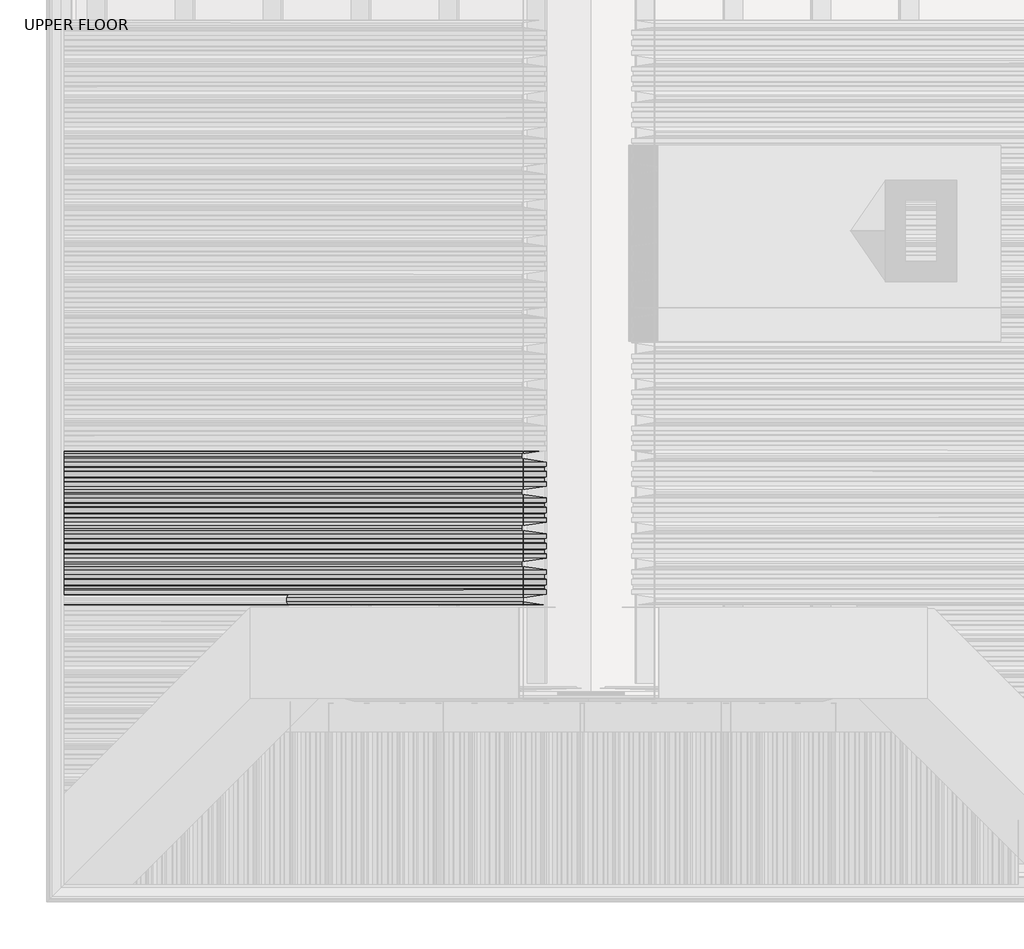
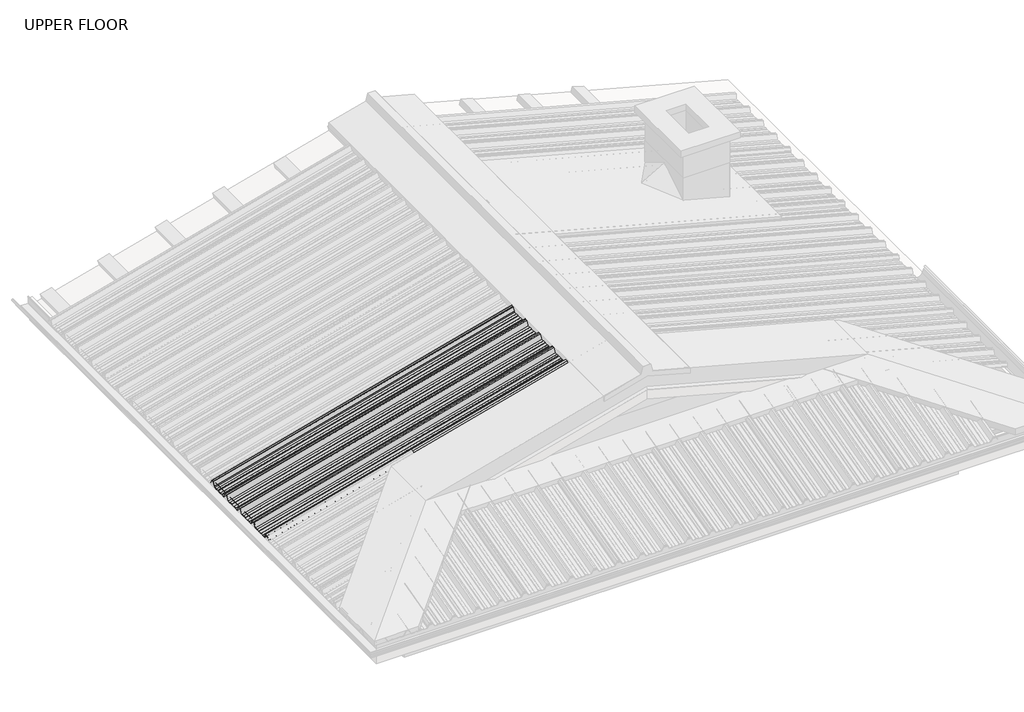
# One storey, part 13 of 21: 1 beam.
"""IFC4 building model written with IfcOpenShell, lengths in millimetres."""

from ifc_helpers import new_model, si_unit, frame, origin, place, context, project, spatial, circle_curve, ellipse_curve, element, save
from ifc_brep_helpers import plane_surface, cylinder_surface, advanced_brep

model = new_model("IFC4")

# Units and contexts
model_context = context("Model", 3, world=origin())
ifc_project = project(units=[si_unit("LENGTHUNIT", "METRE", prefix="MILLI")], contexts=[model_context])

# Site, building, storey
site = spatial("IfcSite", under=ifc_project)
building = spatial("IfcBuilding", under=site)
storey = spatial("IfcBuildingStorey", under=building, Name="UPPER FLOOR", Elevation=2700.0)

# Beam
placement = place(None, origin())
element("IfcBeam", 1, ObjectType="MC700", at=placement, inside=storey, context=model_context, shape_type="AdvancedBrep", body=[
    advanced_brep(
    [(1919.8672216, -2975.2370223, 3934.095145), (1919.3391722, -2970.8567046, 3936.0658523), (1919.3391722, -2954.4287133, 3936.0658523), (1919.8672216, -2951.2136691, 3934.095145), (1919.8672216, -2928.5160316, 3934.095145), (1911.8438312, -2910.4415216, 3964.0388456), (1911.8438312, -2900.0160332, 3964.0388456), (1911.8438312, -2889.5905447, 3964.0388456), (1919.8672216, -2871.5160347, 3934.095145), (1919.8672216, -2848.8183972, 3934.095145), (1919.3391722, -2845.603353, 3936.0658523), (1919.3391722, -2829.1753617, 3936.0658523), (1919.8672216, -2824.795044, 3934.095145), (1919.8672216, -2797.7370223, 3934.095145), (1919.3391722, -2793.3567046, 3936.0658523), (1919.3391722, -2776.9287133, 3936.0658523), (1919.8672216, -2773.7136691, 3934.095145), (1919.8672216, -2751.0160316, 3934.095145), (1911.8438312, -2732.9415216, 3964.0388456), (1911.8438312, -2722.5160332, 3964.0388456), (1911.8438312, -2712.0905447, 3964.0388456), (1919.8672216, -2694.0160347, 3934.095145), (1919.8672216, -2671.3183972, 3934.095145), (1919.3391722, -2668.103353, 3936.0658523), (1919.3391722, -2651.6753617, 3936.0658523), (1919.8672216, -2647.295044, 3934.095145), (1919.8672216, -2620.2370223, 3934.095145), (1919.3391722, -2615.8567046, 3936.0658523), (1919.3391722, -2599.4287133, 3936.0658523), (1919.8672216, -2596.2136691, 3934.095145), (1919.8672216, -2573.5160316, 3934.095145), (1911.8438312, -2555.4415216, 3964.0388456), (1911.8438312, -2545.0160332, 3964.0388456), (1911.8438312, -2534.5905447, 3964.0388456), (1917.3051292, -2522.2877301, 3943.6570042), (1917.1747653, -2521.4238442, 3944.143529), (1911.5850122, -2534.0160332, 3965.0047715), (1911.5850122, -2545.0160332, 3965.0047715), (1911.5850122, -2556.0160332, 3965.0047715), (1919.6084026, -2574.0905432, 3935.0610708), (1919.6084026, -2595.9231546, 3935.0610708), (1919.0803532, -2599.1381988, 3937.0317781), (1919.0803532, -2616.0781681, 3937.0317781), (1919.6084026, -2620.4584858, 3935.0610708), (1919.6084026, -2647.0735805, 3935.0610708), (1919.0803532, -2651.4538982, 3937.0317781), (1919.0803532, -2668.3938675, 3937.0317781), (1919.6084026, -2671.6089117, 3935.0610708), (1919.6084026, -2693.4415232, 3935.0610708), (1911.5850122, -2711.5160332, 3965.0047715), (1911.5850122, -2722.5160332, 3965.0047715), (1911.5850122, -2733.5160332, 3965.0047715), (1919.6084026, -2751.5905432, 3935.0610708), (1919.6084026, -2773.4231546, 3935.0610708), (1919.0803532, -2776.6381988, 3937.0317781), (1919.0803532, -2793.5781681, 3937.0317781), (1919.6084026, -2797.9584858, 3935.0610708), (1919.6084026, -2824.5735805, 3935.0610708), (1919.0803532, -2828.9538982, 3937.0317781), (1919.0803532, -2845.8938675, 3937.0317781), (1919.6084026, -2849.1089117, 3935.0610708), (1919.6084026, -2870.9415232, 3935.0610708), (1911.5850122, -2889.0160332, 3965.0047715), (1911.5850122, -2900.0160332, 3965.0047715), (1911.5850122, -2911.0160332, 3965.0047715), (1919.6084026, -2929.0905432, 3935.0610708), (1919.6084026, -2950.9231546, 3935.0610708), (1919.0803532, -2954.1381988, 3937.0317781), (1919.0803532, -2971.0781681, 3937.0317781), (1919.6084026, -2975.4584858, 3935.0610708), (1919.6084026, -3002.0735805, 3935.0610708), (1919.0803532, -3006.4538982, 3937.0317781), (1919.0803532, -3023.3938675, 3937.0317781), (1919.6084026, -3026.6089117, 3935.0610708), (1919.6084026, -3048.4415232, 3935.0610708), (1911.5850122, -3066.5160332, 3965.0047715), (1911.5850122, -3077.5160332, 3965.0047715), (1911.5850122, -3088.5160332, 3965.0047715), (1919.6084026, -3106.5905432, 3935.0610708), (1919.6084026, -3128.4231546, 3935.0610708), (1919.0803532, -3131.6381988, 3937.0317781), (1919.0803532, -3148.5781681, 3937.0317781), (1919.6084026, -3152.9584858, 3935.0610708), (1919.6084026, -3179.5735805, 3935.0610708), (1919.0803532, -3183.9538982, 3937.0317781), (1919.0803532, -3200.8938675, 3937.0317781), (1919.6084026, -3204.1089117, 3935.0610708), (1919.6084026, -3228.2566437, 3935.0610708), (1912.1026503, -3245.1650563, 3963.0729198), (1912.1026503, -3264.86701, 3963.0729198), (1918.515107, -3279.3125258, 3939.1413056), (1918.6454709, -3278.4486399, 3938.6547808), (1912.3614693, -3264.2924985, 3962.106994), (1912.3614693, -3245.7395679, 3962.106994), (1919.8672216, -3228.8311553, 3934.095145), (1919.8672216, -3203.8183972, 3934.095145), (1919.3391722, -3200.603353, 3936.0658523), (1919.3391722, -3184.1753617, 3936.0658523), (1919.8672216, -3179.795044, 3934.095145), (1919.8672216, -3152.7370223, 3934.095145), (1919.3391722, -3148.3567046, 3936.0658523), (1919.3391722, -3131.9287133, 3936.0658523), (1919.8672216, -3128.7136691, 3934.095145), (1919.8672216, -3106.0160316, 3934.095145), (1911.8438312, -3087.9415216, 3964.0388456), (1911.8438312, -3077.5160332, 3964.0388456), (1911.8438312, -3067.0905447, 3964.0388456), (1919.8672216, -3049.0160347, 3934.095145), (1919.8672216, -3026.3183972, 3934.095145), (1919.3391722, -3023.103353, 3936.0658523), (1919.3391722, -3006.6753617, 3936.0658523), (1919.8672216, -3002.295044, 3934.095145), (-592.3448479, -2829.1753617, 3263.0621475), (-592.3448479, -2824.795044, 3260.9499498), (-592.3448479, -2797.7370223, 3260.9499498), (-592.3448479, -2793.3567046, 3263.0621475), (-592.3448479, -2776.9287133, 3263.0621475), (-592.3448479, -2773.7136691, 3260.9499498), (-592.3448479, -2751.0160316, 3260.9499498), (-592.3448479, -2732.9415216, 3293.0435114), (-592.3448479, -2722.5160332, 3293.0435114), (-592.3448479, -2712.0905447, 3293.0435114), (-592.3448479, -2694.0160347, 3260.9499498), (-592.3448479, -2671.3183972, 3260.9499498), (-592.3448479, -2668.103353, 3263.0621475), (-592.3448479, -2651.6753617, 3263.0621475), (-592.3448479, -2647.295044, 3260.9499498), (-592.3448479, -2620.2370223, 3260.9499498), (-592.3448479, -2615.8567046, 3263.0621475), (-592.3448479, -2599.4287133, 3263.0621475), (-592.3448479, -2596.2136691, 3260.9499498), (-592.3448479, -2573.5160316, 3260.9499498), (-592.3448479, -2555.4415216, 3293.0435114), (-592.3448479, -2545.0160332, 3293.0435114), (-592.3448479, -2534.5905447, 3293.0435114), (-592.3448479, -2522.2877301, 3271.1983195), (-592.3448479, -2521.4238442, 3271.7197752), (-592.3448479, -2534.0160332, 3294.0787875), (-592.3448479, -2545.0160332, 3294.0787875), (-592.3448479, -2556.0160332, 3294.0787875), (-592.3448479, -2574.0905432, 3261.985226), (-592.3448479, -2595.9231546, 3261.985226), (-592.3448479, -2599.1381988, 3264.0974237), (-592.3448479, -2616.0781681, 3264.0974237), (-592.3448479, -2620.4584858, 3261.985226), (-592.3448479, -2647.0735805, 3261.985226), (-592.3448479, -2651.4538982, 3264.0974237), (-592.3448479, -2668.3938675, 3264.0974237), (-592.3448479, -2671.6089117, 3261.985226), (-592.3448479, -2693.4415232, 3261.985226), (-592.3448479, -2711.5160332, 3294.0787875), (-592.3448479, -2722.5160332, 3294.0787875), (-592.3448479, -2733.5160332, 3294.0787875), (-592.3448479, -2751.5905432, 3261.985226), (-592.3448479, -2773.4231546, 3261.985226), (-592.3448479, -2776.6381988, 3264.0974237), (-592.3448479, -2793.5781681, 3264.0974237), (-592.3448479, -2797.9584858, 3261.985226), (-592.3448479, -2824.5735805, 3261.985226), (-592.3448479, -2828.9538982, 3264.0974237), (-592.3448479, -2845.8938675, 3264.0974237), (-592.3448479, -2849.1089117, 3261.985226), (-592.3448479, -2870.9415232, 3261.985226), (-592.3448479, -2889.0160332, 3294.0787875), (-592.3448479, -2900.0160332, 3294.0787875), (-592.3448479, -2911.0160332, 3294.0787875), (-592.3448479, -2929.0905432, 3261.985226), (-592.3448479, -2950.9231546, 3261.985226), (-592.3448479, -2954.1381988, 3264.0974237), (-592.3448479, -2971.0781681, 3264.0974237), (-592.3448479, -2975.4584858, 3261.985226), (-592.3448479, -3002.0735805, 3261.985226), (-592.3448479, -3006.4538982, 3264.0974237), (-592.3448479, -3023.3938675, 3264.0974237), (-592.3448479, -3026.6089117, 3261.985226), (-592.3448479, -3048.4415232, 3261.985226), (-592.3448479, -3066.5160332, 3294.0787875), (-592.3448479, -3077.5160332, 3294.0787875), (-592.3448479, -3088.5160332, 3294.0787875), (-592.3448479, -3106.5905432, 3261.985226), (-592.3448479, -3128.4231546, 3261.985226), (-592.3448479, -3131.6381988, 3264.0974237), (-592.3448479, -3148.5781681, 3264.0974237), (-592.3448479, -3152.9584858, 3261.985226), (-592.3448479, -3179.5735805, 3261.985226), (-592.3448479, -3183.9538982, 3264.0974237), (-592.3448479, -3200.8938675, 3264.0974237), (-592.3448479, -3204.1089117, 3261.985226), (-592.3448479, -3228.2566437, 3261.985226), (-592.3448479, -3245.1650563, 3292.0082352), (-592.3448479, -3264.86701, 3292.0082352), (-592.3448479, -3279.3125258, 3266.3584084), (-592.3448479, -3278.4486399, 3265.8369527), (-592.3448479, -3264.2924985, 3290.972959), (-592.3448479, -3245.7395679, 3290.972959), (-592.3448479, -3228.8311553, 3260.9499498), (-592.3448479, -3203.8183972, 3260.9499498), (-592.3448479, -3200.603353, 3263.0621475), (-592.3448479, -3184.1753617, 3263.0621475), (-592.3448479, -3179.795044, 3260.9499498), (-592.3448479, -3152.7370223, 3260.9499498), (-592.3448479, -3148.3567046, 3263.0621475), (-592.3448479, -3131.9287133, 3263.0621475), (-592.3448479, -3128.7136691, 3260.9499498), (-592.3448479, -3106.0160316, 3260.9499498), (-592.3448479, -3087.9415216, 3293.0435114), (-592.3448479, -3077.5160332, 3293.0435114), (-592.3448479, -3067.0905447, 3293.0435114), (-592.3448479, -3049.0160347, 3260.9499498), (-592.3448479, -3026.3183972, 3260.9499498), (-592.3448479, -3023.103353, 3263.0621475), (-592.3448479, -3006.6753617, 3263.0621475), (-592.3448479, -3002.295044, 3260.9499498), (-592.3448479, -2975.2370223, 3260.9499498), (-592.3448479, -2970.8567046, 3263.0621475), (-592.3448479, -2954.4287133, 3263.0621475), (-592.3448479, -2951.2136691, 3260.9499498), (-592.3448479, -2928.5160316, 3260.9499498), (-592.3448479, -2910.4415216, 3293.0435114), (-592.3448479, -2900.0160332, 3293.0435114), (-592.3448479, -2889.5905447, 3293.0435114), (-592.3448479, -2871.5160347, 3260.9499498), (-592.3448479, -2848.8183972, 3260.9499498), (-592.3448479, -2845.603353, 3263.0621475)],
    [
        (0, 1),
        (1, 2),
        (2, 3),
        (3, 4),
        (4, 5),
        (5, 6),
        (6, 7),
        (7, 8),
        (8, 9),
        (9, 10),
        (10, 11),
        (11, 12),
        (12, 13),
        (13, 14),
        (14, 15),
        (15, 16),
        (16, 17),
        (17, 18),
        (18, 19),
        (19, 20),
        (20, 21),
        (21, 22),
        (22, 23),
        (23, 24),
        (24, 25),
        (25, 26),
        (26, 27),
        (27, 28),
        (28, 29),
        (29, 30),
        (30, 31),
        (31, 32),
        (32, 33),
        (33, 34),
        (34, 35, circle_curve(frame((1917.2399472, -2521.8557872, 3943.9002666), z_axis=(0.9659258262890683, 0.0, 0.25881904510252074), x_axis=(0.0, 1.0, 0.0)), 0.5)),
        (35, 36),
        (36, 37),
        (37, 38),
        (38, 39),
        (39, 40),
        (40, 41),
        (41, 42),
        (42, 43),
        (43, 44),
        (44, 45),
        (45, 46),
        (46, 47),
        (47, 48),
        (48, 49),
        (49, 50),
        (50, 51),
        (51, 52),
        (52, 53),
        (53, 54),
        (54, 55),
        (55, 56),
        (56, 57),
        (57, 58),
        (58, 59),
        (59, 60),
        (60, 61),
        (61, 62),
        (62, 63),
        (63, 64),
        (64, 65),
        (65, 66),
        (66, 67),
        (67, 68),
        (68, 69),
        (69, 70),
        (70, 71),
        (71, 72),
        (72, 73),
        (73, 74),
        (74, 75),
        (75, 76),
        (76, 77),
        (77, 78),
        (78, 79),
        (79, 80),
        (80, 81),
        (81, 82),
        (82, 83),
        (83, 84),
        (84, 85),
        (85, 86),
        (86, 87),
        (87, 88),
        (88, 89),
        (89, 90),
        (90, 91, circle_curve(frame((1918.5802889, -3278.8805829, 3938.8980432), z_axis=(0.9659258262890683, 0.0, 0.25881904510252074), x_axis=(0.0, 1.0, 0.0)), 0.5)),
        (91, 92),
        (92, 93),
        (93, 94),
        (94, 95),
        (95, 96),
        (96, 97),
        (97, 98),
        (98, 99),
        (99, 100),
        (100, 101),
        (101, 102),
        (102, 103),
        (103, 104),
        (104, 105),
        (105, 106),
        (106, 107),
        (107, 108),
        (108, 109),
        (109, 110),
        (110, 111),
        (111, 0),
        (11, 112),
        (112, 113),
        (113, 12),
        (113, 114),
        (114, 13),
        (114, 115),
        (115, 14),
        (115, 116),
        (116, 15),
        (116, 117),
        (117, 16),
        (117, 118),
        (118, 17),
        (118, 119),
        (119, 18),
        (119, 120),
        (120, 19),
        (120, 121),
        (121, 20),
        (121, 122),
        (122, 21),
        (122, 123),
        (123, 22),
        (123, 124),
        (124, 23),
        (124, 125),
        (125, 24),
        (125, 126),
        (126, 25),
        (126, 127),
        (127, 26),
        (127, 128),
        (128, 27),
        (128, 129),
        (129, 28),
        (129, 130),
        (130, 29),
        (130, 131),
        (131, 30),
        (131, 132),
        (132, 31),
        (132, 133),
        (133, 32),
        (133, 134),
        (134, 33),
        (134, 135),
        (135, 34),
        (135, 136, ellipse_curve(frame((-592.3448479, -2521.8557872, 3271.4590474), z_axis=(1.0, 0.0, 0.0), x_axis=(0.0, 0.0, 1.0)), 0.5176381, 0.5)),
        (136, 35),
        (136, 137),
        (137, 36),
        (137, 138),
        (138, 37),
        (138, 139),
        (139, 38),
        (139, 140),
        (140, 39),
        (140, 141),
        (141, 40),
        (141, 142),
        (142, 41),
        (142, 143),
        (143, 42),
        (143, 144),
        (144, 43),
        (144, 145),
        (145, 44),
        (145, 146),
        (146, 45),
        (146, 147),
        (147, 46),
        (147, 148),
        (148, 47),
        (148, 149),
        (149, 48),
        (149, 150),
        (150, 49),
        (150, 151),
        (151, 50),
        (151, 152),
        (152, 51),
        (152, 153),
        (153, 52),
        (153, 154),
        (154, 53),
        (154, 155),
        (155, 54),
        (155, 156),
        (156, 55),
        (156, 157),
        (157, 56),
        (157, 158),
        (158, 57),
        (158, 159),
        (159, 58),
        (159, 160),
        (160, 59),
        (160, 161),
        (161, 60),
        (161, 162),
        (162, 61),
        (162, 163),
        (163, 62),
        (163, 164),
        (164, 63),
        (164, 165),
        (165, 64),
        (165, 166),
        (166, 65),
        (166, 167),
        (167, 66),
        (167, 168),
        (168, 67),
        (168, 169),
        (169, 68),
        (169, 170),
        (170, 69),
        (170, 171),
        (171, 70),
        (171, 172),
        (172, 71),
        (172, 173),
        (173, 72),
        (173, 174),
        (174, 73),
        (174, 175),
        (175, 74),
        (175, 176),
        (176, 75),
        (176, 177),
        (177, 76),
        (177, 178),
        (178, 77),
        (178, 179),
        (179, 78),
        (179, 180),
        (180, 79),
        (180, 181),
        (181, 80),
        (181, 182),
        (182, 81),
        (182, 183),
        (183, 82),
        (183, 184),
        (184, 83),
        (184, 185),
        (185, 84),
        (185, 186),
        (186, 85),
        (186, 187),
        (187, 86),
        (187, 188),
        (188, 87),
        (188, 189),
        (189, 88),
        (189, 190),
        (190, 89),
        (190, 191),
        (191, 90),
        (191, 192, ellipse_curve(frame((-592.3448479, -3278.8805829, 3266.0976806), z_axis=(1.0, 0.0, 0.0), x_axis=(0.0, 0.0, 1.0)), 0.5176381, 0.5)),
        (192, 91),
        (192, 193),
        (193, 92),
        (193, 194),
        (194, 93),
        (194, 195),
        (195, 94),
        (195, 196),
        (196, 95),
        (196, 197),
        (197, 96),
        (197, 198),
        (198, 97),
        (198, 199),
        (199, 98),
        (199, 200),
        (200, 99),
        (200, 201),
        (201, 100),
        (201, 202),
        (202, 101),
        (202, 203),
        (203, 102),
        (203, 204),
        (204, 103),
        (204, 205),
        (205, 104),
        (205, 206),
        (206, 105),
        (206, 207),
        (207, 106),
        (207, 208),
        (208, 107),
        (208, 209),
        (209, 108),
        (209, 210),
        (210, 109),
        (210, 211),
        (211, 110),
        (211, 212),
        (212, 111),
        (212, 213),
        (213, 0),
        (213, 214),
        (214, 1),
        (214, 215),
        (215, 2),
        (215, 216),
        (216, 3),
        (216, 217),
        (217, 4),
        (217, 218),
        (218, 5),
        (218, 219),
        (219, 6),
        (219, 220),
        (220, 7),
        (220, 221),
        (221, 8),
        (221, 222),
        (222, 9),
        (222, 223),
        (223, 10),
        (223, 112),
    ],
    [
        plane_surface(frame((1919.8672216, -2975.2370223, 3934.095145), z_axis=(0.9659258262890683, 0.0, 0.2588190451025208), x_axis=(-0.10927828227881038, 0.9064939238095155, 0.4078321016283796))),
        plane_surface(frame((1919.3391722, -2829.1753617, 3936.0658523), z_axis=(0.23461789175161551, -0.422218860422444, -0.8756058923817268), x_axis=(-0.9659258262890683, 0.0, -0.25881904510252074))),
        plane_surface(frame((1919.8672216, -2824.795044, 3934.095145), z_axis=(0.25881904510252074, 0.0, -0.9659258262890683), x_axis=(-0.9659258262890683, 0.0, -0.25881904510252074))),
        plane_surface(frame((1919.8672216, -2797.7370223, 3934.095145), z_axis=(0.23461789175161696, 0.4222188604224425, -0.875605892381727), x_axis=(-0.9659258262890683, 0.0, -0.25881904510252074))),
        plane_surface(frame((1919.3391722, -2793.3567046, 3936.0658523), z_axis=(0.25881904510252074, 0.0, -0.9659258262890683), x_axis=(-0.9659258262890683, 0.0, -0.25881904510252074))),
        plane_surface(frame((1919.3391722, -2776.9287133, 3936.0658523), z_axis=(0.21853130769187565, -0.53580755412896, -0.8155699433505507), x_axis=(-0.9659258262890683, 0.0, -0.25881904510252074))),
        plane_surface(frame((1919.8672216, -2773.7136691, 3934.095145), z_axis=(0.25881904510252074, 0.0, -0.9659258262890683), x_axis=(-0.9659258262890683, 0.0, -0.25881904510252074))),
        plane_surface(frame((1919.8672216, -2751.0160316, 3934.095145), z_axis=(0.1303639327417883, 0.8638858976217885, -0.48652482046684076), x_axis=(-0.9659258262890683, 0.0, -0.25881904510252074))),
        plane_surface(frame((1911.8438312, -2732.9415216, 3964.0388456), z_axis=(0.25881904510252074, 0.0, -0.9659258262890683), x_axis=(-0.9659258262890683, 0.0, -0.25881904510252074))),
        plane_surface(frame((1911.8438312, -2722.5160332, 3964.0388456), z_axis=(0.25881904510252074, 0.0, -0.9659258262890683), x_axis=(-0.9659258262890683, 0.0, -0.25881904510252074))),
        plane_surface(frame((1911.8438312, -2712.0905447, 3964.0388456), z_axis=(0.1303639327417828, -0.8638858976217949, -0.4865248204668306), x_axis=(-0.9659258262890683, 0.0, -0.25881904510252074))),
        plane_surface(frame((1919.8672216, -2694.0160347, 3934.095145), z_axis=(0.25881904510252074, 0.0, -0.9659258262890683), x_axis=(-0.9659258262890683, 0.0, -0.25881904510252074))),
        plane_surface(frame((1919.8672216, -2671.3183972, 3934.095145), z_axis=(0.21853130769188064, 0.5358075541289394, -0.8155699433505629), x_axis=(-0.9659258262890683, 0.0, -0.25881904510252074))),
        plane_surface(frame((1919.3391722, -2668.103353, 3936.0658523), z_axis=(0.25881904510252074, 0.0, -0.9659258262890683), x_axis=(-0.9659258262890683, 0.0, -0.25881904510252074))),
        plane_surface(frame((1919.3391722, -2651.6753617, 3936.0658523), z_axis=(0.23461789175161585, -0.4222188604224411, -0.8756058923817281), x_axis=(-0.9659258262890683, 0.0, -0.25881904510252074))),
        plane_surface(frame((1919.8672216, -2647.295044, 3934.095145), z_axis=(0.25881904510252074, 0.0, -0.9659258262890683), x_axis=(-0.9659258262890683, 0.0, -0.25881904510252074))),
        plane_surface(frame((1919.8672216, -2620.2370223, 3934.095145), z_axis=(0.23461789175161699, 0.42221886042244255, -0.875605892381727), x_axis=(-0.9659258262890683, 0.0, -0.25881904510252074))),
        plane_surface(frame((1919.3391722, -2615.8567046, 3936.0658523), z_axis=(0.25881904510252074, 0.0, -0.9659258262890683), x_axis=(-0.9659258262890683, 0.0, -0.25881904510252074))),
        plane_surface(frame((1919.3391722, -2599.4287133, 3936.0658523), z_axis=(0.21853130769187562, -0.53580755412896, -0.8155699433505507), x_axis=(-0.9659258262890683, 0.0, -0.25881904510252074))),
        plane_surface(frame((1919.8672216, -2596.2136691, 3934.095145), z_axis=(0.25881904510252074, 0.0, -0.9659258262890683), x_axis=(-0.9659258262890683, 0.0, -0.25881904510252074))),
        plane_surface(frame((1919.8672216, -2573.5160316, 3934.095145), z_axis=(0.13036393274178834, 0.8638858976217885, -0.48652482046684076), x_axis=(-0.9659258262890683, 0.0, -0.25881904510252074))),
        plane_surface(frame((1911.8438312, -2555.4415216, 3964.0388456), z_axis=(0.25881904510252074, 0.0, -0.9659258262890683), x_axis=(-0.9659258262890683, 0.0, -0.25881904510252074))),
        plane_surface(frame((1911.8438312, -2545.0160332, 3964.0388456), z_axis=(0.25881904510252074, 0.0, -0.9659258262890683), x_axis=(-0.9659258262890683, 0.0, -0.25881904510252074))),
        plane_surface(frame((1911.8438312, -2534.5905447, 3964.0388456), z_axis=(0.13036393274178518, -0.8638858976217895, -0.48652482046683954), x_axis=(-0.9659258262890683, 0.0, -0.25881904510252074))),
        cylinder_surface(frame((-604.0221534, -2521.8557872, 3268.3301228), z_axis=(0.9659258262890683, 0.0, 0.25881904510252074), x_axis=(0.0, 1.0, 0.0)), 0.5),
        plane_surface(frame((1917.1747653, -2521.4238442, 3944.143529), z_axis=(-0.13036393274177627, 0.8638858976218096, 0.4865248204668063), x_axis=(-0.9659258262890683, 0.0, -0.25881904510252074))),
        plane_surface(frame((1911.5850122, -2534.0160332, 3965.0047715), z_axis=(-0.25881904510252074, 0.0, 0.9659258262890683), x_axis=(-0.9659258262890683, 0.0, -0.25881904510252074))),
        plane_surface(frame((1911.5850122, -2545.0160332, 3965.0047715), z_axis=(-0.25881904510252074, 0.0, 0.9659258262890683), x_axis=(-0.9659258262890683, 0.0, -0.25881904510252074))),
        plane_surface(frame((1911.5850122, -2556.0160332, 3965.0047715), z_axis=(-0.13036393274178834, -0.8638858976217885, 0.48652482046684076), x_axis=(-0.9659258262890683, 0.0, -0.25881904510252074))),
        plane_surface(frame((1919.6084026, -2574.0905432, 3935.0610708), z_axis=(-0.25881904510252074, 0.0, 0.9659258262890683), x_axis=(-0.9659258262890683, 0.0, -0.25881904510252074))),
        plane_surface(frame((1919.6084026, -2595.9231546, 3935.0610708), z_axis=(-0.21853130769187826, 0.535807554128944, 0.8155699433505605), x_axis=(-0.9659258262890683, 0.0, -0.25881904510252074))),
        plane_surface(frame((1919.0803532, -2599.1381988, 3937.0317781), z_axis=(-0.25881904510252074, 0.0, 0.9659258262890683), x_axis=(-0.9659258262890683, 0.0, -0.25881904510252074))),
        plane_surface(frame((1919.0803532, -2616.0781681, 3937.0317781), z_axis=(-0.23461789175161665, -0.4222188604224454, 0.8756058923817257), x_axis=(-0.9659258262890683, 0.0, -0.25881904510252074))),
        plane_surface(frame((1919.6084026, -2620.4584858, 3935.0610708), z_axis=(-0.25881904510252074, 0.0, 0.9659258262890683), x_axis=(-0.9659258262890683, 0.0, -0.25881904510252074))),
        plane_surface(frame((1919.6084026, -2647.0735805, 3935.0610708), z_axis=(-0.23461789175161615, 0.42221886042243867, 0.8756058923817293), x_axis=(-0.9659258262890683, 0.0, -0.25881904510252074))),
        plane_surface(frame((1919.0803532, -2651.4538982, 3937.0317781), z_axis=(-0.25881904510252074, 0.0, 0.9659258262890683), x_axis=(-0.9659258262890683, 0.0, -0.25881904510252074))),
        plane_surface(frame((1919.0803532, -2668.3938675, 3937.0317781), z_axis=(-0.2185313076918775, -0.5358075541289586, 0.815569943350551), x_axis=(-0.9659258262890683, 0.0, -0.25881904510252074))),
        plane_surface(frame((1919.6084026, -2671.6089117, 3935.0610708), z_axis=(-0.25881904510252074, 0.0, 0.9659258262890683), x_axis=(-0.9659258262890683, 0.0, -0.25881904510252074))),
        plane_surface(frame((1919.6084026, -2693.4415232, 3935.0610708), z_axis=(-0.13036393274178276, 0.863885897621795, 0.4865248204668305), x_axis=(-0.9659258262890683, 0.0, -0.25881904510252074))),
        plane_surface(frame((1911.5850122, -2711.5160332, 3965.0047715), z_axis=(-0.25881904510252074, 0.0, 0.9659258262890683), x_axis=(-0.9659258262890683, 0.0, -0.25881904510252074))),
        plane_surface(frame((1911.5850122, -2722.5160332, 3965.0047715), z_axis=(-0.25881904510252074, 0.0, 0.9659258262890683), x_axis=(-0.9659258262890683, 0.0, -0.25881904510252074))),
        plane_surface(frame((1911.5850122, -2733.5160332, 3965.0047715), z_axis=(-0.13036393274178762, -0.86388589762179, 0.486524820466838), x_axis=(-0.9659258262890683, 0.0, -0.25881904510252074))),
        plane_surface(frame((1919.6084026, -2751.5905432, 3935.0610708), z_axis=(-0.25881904510252074, 0.0, 0.9659258262890683), x_axis=(-0.9659258262890683, 0.0, -0.25881904510252074))),
        plane_surface(frame((1919.6084026, -2773.4231546, 3935.0610708), z_axis=(-0.21853130769187565, 0.53580755412896, 0.8155699433505507), x_axis=(-0.9659258262890683, 0.0, -0.25881904510252074))),
        plane_surface(frame((1919.0803532, -2776.6381988, 3937.0317781), z_axis=(-0.25881904510252074, 0.0, 0.9659258262890683), x_axis=(-0.9659258262890683, 0.0, -0.25881904510252074))),
        plane_surface(frame((1919.0803532, -2793.5781681, 3937.0317781), z_axis=(-0.23461789175161565, -0.42221886042245327, 0.8756058923817222), x_axis=(-0.9659258262890683, 0.0, -0.25881904510252074))),
        plane_surface(frame((1919.6084026, -2797.9584858, 3935.0610708), z_axis=(-0.25881904510252074, 0.0, 0.9659258262890683), x_axis=(-0.9659258262890683, 0.0, -0.25881904510252074))),
        plane_surface(frame((1919.6084026, -2824.5735805, 3935.0610708), z_axis=(-0.23461789175161582, 0.4222188604224416, 0.8756058923817279), x_axis=(-0.9659258262890683, 0.0, -0.25881904510252074))),
        plane_surface(frame((1919.0803532, -2828.9538982, 3937.0317781), z_axis=(-0.25881904510252074, 0.0, 0.9659258262890683), x_axis=(-0.9659258262890683, 0.0, -0.25881904510252074))),
        plane_surface(frame((1919.0803532, -2845.8938675, 3937.0317781), z_axis=(-0.21853130769187645, -0.535807554128965, 0.8155699433505472), x_axis=(-0.9659258262890683, 0.0, -0.25881904510252074))),
        plane_surface(frame((1919.6084026, -2849.1089117, 3935.0610708), z_axis=(-0.25881904510252074, 0.0, 0.9659258262890683), x_axis=(-0.9659258262890683, 0.0, -0.25881904510252074))),
        plane_surface(frame((1919.6084026, -2870.9415232, 3935.0610708), z_axis=(-0.13036393274178454, 0.863885897621791, 0.48652482046683715), x_axis=(-0.9659258262890683, 0.0, -0.25881904510252074))),
        plane_surface(frame((1911.5850122, -2889.0160332, 3965.0047715), z_axis=(-0.25881904510252074, 0.0, 0.9659258262890683), x_axis=(-0.9659258262890683, 0.0, -0.25881904510252074))),
        plane_surface(frame((1911.5850122, -2900.0160332, 3965.0047715), z_axis=(-0.25881904510252074, 0.0, 0.9659258262890683), x_axis=(-0.9659258262890683, 0.0, -0.25881904510252074))),
        plane_surface(frame((1911.5850122, -2911.0160332, 3965.0047715), z_axis=(-0.1303639327417887, -0.8638858976217876, 0.4865248204668421), x_axis=(-0.9659258262890683, 0.0, -0.25881904510252074))),
        plane_surface(frame((1919.6084026, -2929.0905432, 3935.0610708), z_axis=(-0.25881904510252074, 0.0, 0.9659258262890683), x_axis=(-0.9659258262890683, 0.0, -0.25881904510252074))),
        plane_surface(frame((1919.6084026, -2950.9231546, 3935.0610708), z_axis=(-0.2185313076918763, 0.535807554128956, 0.8155699433505531), x_axis=(-0.9659258262890683, 0.0, -0.25881904510252074))),
        plane_surface(frame((1919.0803532, -2954.1381988, 3937.0317781), z_axis=(-0.25881904510252074, 0.0, 0.9659258262890683), x_axis=(-0.9659258262890683, 0.0, -0.25881904510252074))),
        plane_surface(frame((1919.0803532, -2971.0781681, 3937.0317781), z_axis=(-0.23461789175161665, -0.4222188604224452, 0.8756058923817258), x_axis=(-0.9659258262890683, 0.0, -0.25881904510252074))),
        plane_surface(frame((1919.6084026, -2975.4584858, 3935.0610708), z_axis=(-0.25881904510252074, 0.0, 0.9659258262890683), x_axis=(-0.9659258262890683, 0.0, -0.25881904510252074))),
        plane_surface(frame((1919.6084026, -3002.0735805, 3935.0610708), z_axis=(-0.23461789175161488, 0.4222188604224493, 0.8756058923817245), x_axis=(-0.9659258262890683, 0.0, -0.25881904510252074))),
        plane_surface(frame((1919.0803532, -3006.4538982, 3937.0317781), z_axis=(-0.25881904510252074, 0.0, 0.9659258262890683), x_axis=(-0.9659258262890683, 0.0, -0.25881904510252074))),
        plane_surface(frame((1919.0803532, -3023.3938675, 3937.0317781), z_axis=(-0.2185313076918775, -0.5358075541289586, 0.815569943350551), x_axis=(-0.9659258262890683, 0.0, -0.25881904510252074))),
        plane_surface(frame((1919.6084026, -3026.6089117, 3935.0610708), z_axis=(-0.25881904510252074, 0.0, 0.9659258262890683), x_axis=(-0.9659258262890683, 0.0, -0.25881904510252074))),
        plane_surface(frame((1919.6084026, -3048.4415232, 3935.0610708), z_axis=(-0.13036393274178423, 0.8638858976217915, 0.486524820466836), x_axis=(-0.9659258262890683, 0.0, -0.25881904510252074))),
        plane_surface(frame((1911.5850122, -3066.5160332, 3965.0047715), z_axis=(-0.25881904510252074, 0.0, 0.9659258262890683), x_axis=(-0.9659258262890683, 0.0, -0.25881904510252074))),
        plane_surface(frame((1911.5850122, -3077.5160332, 3965.0047715), z_axis=(-0.25881904510252074, 0.0, 0.9659258262890683), x_axis=(-0.9659258262890683, 0.0, -0.25881904510252074))),
        plane_surface(frame((1911.5850122, -3088.5160332, 3965.0047715), z_axis=(-0.13036393274178942, -0.8638858976217859, 0.48652482046684475), x_axis=(-0.9659258262890683, 0.0, -0.25881904510252074))),
        plane_surface(frame((1919.6084026, -3106.5905432, 3935.0610708), z_axis=(-0.25881904510252074, 0.0, 0.9659258262890683), x_axis=(-0.9659258262890683, 0.0, -0.25881904510252074))),
        plane_surface(frame((1919.6084026, -3128.4231546, 3935.0610708), z_axis=(-0.2185313076918763, 0.535807554128956, 0.8155699433505531), x_axis=(-0.9659258262890683, 0.0, -0.25881904510252074))),
        plane_surface(frame((1919.0803532, -3131.6381988, 3937.0317781), z_axis=(-0.25881904510252074, 0.0, 0.9659258262890683), x_axis=(-0.9659258262890683, 0.0, -0.25881904510252074))),
        plane_surface(frame((1919.0803532, -3148.5781681, 3937.0317781), z_axis=(-0.23461789175161632, -0.4222188604224479, 0.8756058923817246), x_axis=(-0.9659258262890683, 0.0, -0.25881904510252074))),
        plane_surface(frame((1919.6084026, -3152.9584858, 3935.0610708), z_axis=(-0.25881904510252074, 0.0, 0.9659258262890683), x_axis=(-0.9659258262890683, 0.0, -0.25881904510252074))),
        plane_surface(frame((1919.6084026, -3179.5735805, 3935.0610708), z_axis=(-0.23461789175161518, 0.4222188604224467, 0.8756058923817256), x_axis=(-0.9659258262890683, 0.0, -0.25881904510252074))),
        plane_surface(frame((1919.0803532, -3183.9538982, 3937.0317781), z_axis=(-0.25881904510252074, 0.0, 0.9659258262890683), x_axis=(-0.9659258262890683, 0.0, -0.25881904510252074))),
        plane_surface(frame((1919.0803532, -3200.8938675, 3937.0317781), z_axis=(-0.21853130769187815, -0.5358075541289546, 0.8155699433505536), x_axis=(-0.9659258262890683, 0.0, -0.25881904510252074))),
        plane_surface(frame((1919.6084026, -3204.1089117, 3935.0610708), z_axis=(-0.25881904510252074, 0.0, 0.9659258262890683), x_axis=(-0.9659258262890683, 0.0, -0.25881904510252074))),
        plane_surface(frame((1919.6084026, -3228.2566437, 3935.0610708), z_axis=(-0.13036393274178437, 0.8638858976217914, 0.48652482046683654), x_axis=(-0.9659258262890683, 0.0, -0.25881904510252074))),
        plane_surface(frame((1912.1026503, -3245.1650563, 3963.0729198), z_axis=(-0.25881904510252074, 0.0, 0.9659258262890683), x_axis=(-0.9659258262890683, 0.0, -0.25881904510252074))),
        plane_surface(frame((1912.1026503, -3264.86701, 3963.0729198), z_axis=(-0.13036393274178584, -0.8638858976217941, 0.48652482046683143), x_axis=(-0.9659258262890683, 0.0, -0.25881904510252074))),
        cylinder_surface(frame((-602.6818117, -3278.8805829, 3263.3278995), z_axis=(0.9659258262890683, 0.0, 0.25881904510252074), x_axis=(0.0, 1.0, 0.0)), 0.5),
        plane_surface(frame((1918.6454709, -3278.4486399, 3938.6547808), z_axis=(0.13036393274179325, 0.8638858976217774, -0.48652482046685913), x_axis=(-0.9659258262890683, 0.0, -0.25881904510252074))),
        plane_surface(frame((1912.3614693, -3264.2924985, 3962.106994), z_axis=(0.25881904510252074, 0.0, -0.9659258262890683), x_axis=(-0.9659258262890683, 0.0, -0.25881904510252074))),
        plane_surface(frame((1912.3614693, -3245.7395679, 3962.106994), z_axis=(0.13036393274178437, -0.8638858976217914, -0.48652482046683654), x_axis=(-0.9659258262890683, 0.0, -0.25881904510252074))),
        plane_surface(frame((1919.8672216, -3228.8311553, 3934.095145), z_axis=(0.25881904510252074, 0.0, -0.9659258262890683), x_axis=(-0.9659258262890683, 0.0, -0.25881904510252074))),
        plane_surface(frame((1919.8672216, -3203.8183972, 3934.095145), z_axis=(0.21853130769187815, 0.5358075541289546, -0.8155699433505536), x_axis=(-0.9659258262890683, 0.0, -0.25881904510252074))),
        plane_surface(frame((1919.3391722, -3200.603353, 3936.0658523), z_axis=(0.25881904510252074, 0.0, -0.9659258262890683), x_axis=(-0.9659258262890683, 0.0, -0.25881904510252074))),
        plane_surface(frame((1919.3391722, -3184.1753617, 3936.0658523), z_axis=(0.23461789175161518, -0.4222188604224467, -0.8756058923817256), x_axis=(-0.9659258262890683, 0.0, -0.25881904510252074))),
        plane_surface(frame((1919.8672216, -3179.795044, 3934.095145), z_axis=(0.25881904510252074, 0.0, -0.9659258262890683), x_axis=(-0.9659258262890683, 0.0, -0.25881904510252074))),
        plane_surface(frame((1919.8672216, -3152.7370223, 3934.095145), z_axis=(0.23461789175161665, 0.42221886042244516, -0.8756058923817258), x_axis=(-0.9659258262890683, 0.0, -0.25881904510252074))),
        plane_surface(frame((1919.3391722, -3148.3567046, 3936.0658523), z_axis=(0.25881904510252074, 0.0, -0.9659258262890683), x_axis=(-0.9659258262890683, 0.0, -0.25881904510252074))),
        plane_surface(frame((1919.3391722, -3131.9287133, 3936.0658523), z_axis=(0.21853130769187565, -0.53580755412896, -0.8155699433505507), x_axis=(-0.9659258262890683, 0.0, -0.25881904510252074))),
        plane_surface(frame((1919.8672216, -3128.7136691, 3934.095145), z_axis=(0.25881904510252074, 0.0, -0.9659258262890683), x_axis=(-0.9659258262890683, 0.0, -0.25881904510252074))),
        plane_surface(frame((1919.8672216, -3106.0160316, 3934.095145), z_axis=(0.13036393274178762, 0.86388589762179, -0.486524820466838), x_axis=(-0.9659258262890683, 0.0, -0.25881904510252074))),
        plane_surface(frame((1911.8438312, -3087.9415216, 3964.0388456), z_axis=(0.25881904510252074, 0.0, -0.9659258262890683), x_axis=(-0.9659258262890683, 0.0, -0.25881904510252074))),
        plane_surface(frame((1911.8438312, -3077.5160332, 3964.0388456), z_axis=(0.25881904510252074, 0.0, -0.9659258262890683), x_axis=(-0.9659258262890683, 0.0, -0.25881904510252074))),
        plane_surface(frame((1911.8438312, -3067.0905447, 3964.0388456), z_axis=(0.1303639327417828, -0.8638858976217949, -0.4865248204668306), x_axis=(-0.9659258262890683, 0.0, -0.25881904510252074))),
        plane_surface(frame((1919.8672216, -3049.0160347, 3934.095145), z_axis=(0.25881904510252074, 0.0, -0.9659258262890683), x_axis=(-0.9659258262890683, 0.0, -0.25881904510252074))),
        plane_surface(frame((1919.8672216, -3026.3183972, 3934.095145), z_axis=(0.21853130769187884, 0.5358075541289506, -0.815569943350556), x_axis=(-0.9659258262890683, 0.0, -0.25881904510252074))),
        plane_surface(frame((1919.3391722, -3023.103353, 3936.0658523), z_axis=(0.25881904510252074, 0.0, -0.9659258262890683), x_axis=(-0.9659258262890683, 0.0, -0.25881904510252074))),
        plane_surface(frame((1919.3391722, -3006.6753617, 3936.0658523), z_axis=(0.23461789175161551, -0.422218860422444, -0.8756058923817268), x_axis=(-0.9659258262890683, 0.0, -0.25881904510252074))),
        plane_surface(frame((1919.8672216, -3002.295044, 3934.095145), z_axis=(0.25881904510252074, 0.0, -0.9659258262890683), x_axis=(-0.9659258262890683, 0.0, -0.25881904510252074))),
        plane_surface(frame((1919.8672216, -2975.2370223, 3934.095145), z_axis=(0.23461789175161665, 0.4222188604224452, -0.8756058923817258), x_axis=(-0.9659258262890683, 0.0, -0.25881904510252074))),
        plane_surface(frame((1919.3391722, -2970.8567046, 3936.0658523), z_axis=(0.25881904510252074, 0.0, -0.9659258262890683), x_axis=(-0.9659258262890683, 0.0, -0.25881904510252074))),
        plane_surface(frame((1919.3391722, -2954.4287133, 3936.0658523), z_axis=(0.21853130769187562, -0.53580755412896, -0.8155699433505507), x_axis=(-0.9659258262890683, 0.0, -0.25881904510252074))),
        plane_surface(frame((1919.8672216, -2951.2136691, 3934.095145), z_axis=(0.25881904510252074, 0.0, -0.9659258262890683), x_axis=(-0.9659258262890683, 0.0, -0.25881904510252074))),
        plane_surface(frame((1919.8672216, -2928.5160316, 3934.095145), z_axis=(0.13036393274178834, 0.8638858976217885, -0.48652482046684076), x_axis=(-0.9659258262890683, 0.0, -0.25881904510252074))),
        plane_surface(frame((1911.8438312, -2910.4415216, 3964.0388456), z_axis=(0.25881904510252074, 0.0, -0.9659258262890683), x_axis=(-0.9659258262890683, 0.0, -0.25881904510252074))),
        plane_surface(frame((1911.8438312, -2900.0160332, 3964.0388456), z_axis=(0.25881904510252074, 0.0, -0.9659258262890683), x_axis=(-0.9659258262890683, 0.0, -0.25881904510252074))),
        plane_surface(frame((1911.8438312, -2889.5905447, 3964.0388456), z_axis=(0.13036393274178276, -0.863885897621795, -0.4865248204668305), x_axis=(-0.9659258262890683, 0.0, -0.25881904510252074))),
        plane_surface(frame((1919.8672216, -2871.5160347, 3934.095145), z_axis=(0.25881904510252074, 0.0, -0.9659258262890683), x_axis=(-0.9659258262890683, 0.0, -0.25881904510252074))),
        plane_surface(frame((1919.8672216, -2848.8183972, 3934.095145), z_axis=(0.21853130769187962, 0.5358075541289458, -0.815569943350559), x_axis=(-0.9659258262890683, 0.0, -0.25881904510252074))),
        plane_surface(frame((1919.3391722, -2845.603353, 3936.0658523), z_axis=(0.25881904510252074, 0.0, -0.9659258262890683), x_axis=(-0.9659258262890683, 0.0, -0.25881904510252074))),
        plane_surface(frame((-592.3448479, -4785.0, 3739.5229882), z_axis=(-1.0, 0.0, 0.0), x_axis=(0.0, 0.0, -1.0))),
    ],
    [
        (0, [[1, 2, 3, 4, 5, 6, 7, 8, 9, 10, 11, 12, 13, 14, 15, 16, 17, 18, 19, 20, 21, 22, 23, 24, 25, 26, 27, 28, 29, 30, 31, 32, 33, 34, 35, 36, 37, 38, 39, 40, 41, 42, 43, 44, 45, 46, 47, 48, 49, 50, 51, 52, 53, 54, 55, 56, 57, 58, 59, 60, 61, 62, 63, 64, 65, 66, 67, 68, 69, 70, 71, 72, 73, 74, 75, 76, 77, 78, 79, 80, 81, 82, 83, 84, 85, 86, 87, 88, 89, 90, 91, 92, 93, 94, 95, 96, 97, 98, 99, 100, 101, 102, 103, 104, 105, 106, 107, 108, 109, 110, 111, 112]]),
        (1, [[-12, 113, 114, 115]]),
        (2, [[-13, -115, 116, 117]]),
        (3, [[-14, -117, 118, 119]]),
        (4, [[-15, -119, 120, 121]]),
        (5, [[-16, -121, 122, 123]]),
        (6, [[-17, -123, 124, 125]]),
        (7, [[-18, -125, 126, 127]]),
        (8, [[-19, -127, 128, 129]]),
        (9, [[-20, -129, 130, 131]]),
        (10, [[-21, -131, 132, 133]]),
        (11, [[-22, -133, 134, 135]]),
        (12, [[-23, -135, 136, 137]]),
        (13, [[-24, -137, 138, 139]]),
        (14, [[-25, -139, 140, 141]]),
        (15, [[-26, -141, 142, 143]]),
        (16, [[-27, -143, 144, 145]]),
        (17, [[-28, -145, 146, 147]]),
        (18, [[-29, -147, 148, 149]]),
        (19, [[-30, -149, 150, 151]]),
        (20, [[-31, -151, 152, 153]]),
        (21, [[-32, -153, 154, 155]]),
        (22, [[-33, -155, 156, 157]]),
        (23, [[-34, -157, 158, 159]]),
        (24, [[-35, -159, 160, 161]]),
        (25, [[-36, -161, 162, 163]]),
        (26, [[-37, -163, 164, 165]]),
        (27, [[-38, -165, 166, 167]]),
        (28, [[-39, -167, 168, 169]]),
        (29, [[-40, -169, 170, 171]]),
        (30, [[-41, -171, 172, 173]]),
        (31, [[-42, -173, 174, 175]]),
        (32, [[-43, -175, 176, 177]]),
        (33, [[-44, -177, 178, 179]]),
        (34, [[-45, -179, 180, 181]]),
        (35, [[-46, -181, 182, 183]]),
        (36, [[-47, -183, 184, 185]]),
        (37, [[-48, -185, 186, 187]]),
        (38, [[-49, -187, 188, 189]]),
        (39, [[-50, -189, 190, 191]]),
        (40, [[-51, -191, 192, 193]]),
        (41, [[-52, -193, 194, 195]]),
        (42, [[-53, -195, 196, 197]]),
        (43, [[-54, -197, 198, 199]]),
        (44, [[-55, -199, 200, 201]]),
        (45, [[-56, -201, 202, 203]]),
        (46, [[-57, -203, 204, 205]]),
        (47, [[-58, -205, 206, 207]]),
        (48, [[-59, -207, 208, 209]]),
        (49, [[-60, -209, 210, 211]]),
        (50, [[-61, -211, 212, 213]]),
        (51, [[-62, -213, 214, 215]]),
        (52, [[-63, -215, 216, 217]]),
        (53, [[-64, -217, 218, 219]]),
        (54, [[-65, -219, 220, 221]]),
        (55, [[-66, -221, 222, 223]]),
        (56, [[-67, -223, 224, 225]]),
        (57, [[-68, -225, 226, 227]]),
        (58, [[-69, -227, 228, 229]]),
        (59, [[-70, -229, 230, 231]]),
        (60, [[-71, -231, 232, 233]]),
        (61, [[-72, -233, 234, 235]]),
        (62, [[-73, -235, 236, 237]]),
        (63, [[-74, -237, 238, 239]]),
        (64, [[-75, -239, 240, 241]]),
        (65, [[-76, -241, 242, 243]]),
        (66, [[-77, -243, 244, 245]]),
        (67, [[-78, -245, 246, 247]]),
        (68, [[-79, -247, 248, 249]]),
        (69, [[-80, -249, 250, 251]]),
        (70, [[-81, -251, 252, 253]]),
        (71, [[-82, -253, 254, 255]]),
        (72, [[-83, -255, 256, 257]]),
        (73, [[-84, -257, 258, 259]]),
        (74, [[-85, -259, 260, 261]]),
        (75, [[-86, -261, 262, 263]]),
        (76, [[-87, -263, 264, 265]]),
        (77, [[-88, -265, 266, 267]]),
        (78, [[-89, -267, 268, 269]]),
        (79, [[-90, -269, 270, 271]]),
        (80, [[-91, -271, 272, 273]]),
        (81, [[-92, -273, 274, 275]]),
        (82, [[-93, -275, 276, 277]]),
        (83, [[-94, -277, 278, 279]]),
        (84, [[-95, -279, 280, 281]]),
        (85, [[-96, -281, 282, 283]]),
        (86, [[-97, -283, 284, 285]]),
        (87, [[-98, -285, 286, 287]]),
        (88, [[-99, -287, 288, 289]]),
        (89, [[-100, -289, 290, 291]]),
        (90, [[-101, -291, 292, 293]]),
        (91, [[-102, -293, 294, 295]]),
        (92, [[-103, -295, 296, 297]]),
        (93, [[-104, -297, 298, 299]]),
        (94, [[-105, -299, 300, 301]]),
        (95, [[-106, -301, 302, 303]]),
        (96, [[-107, -303, 304, 305]]),
        (97, [[-108, -305, 306, 307]]),
        (98, [[-109, -307, 308, 309]]),
        (99, [[-110, -309, 310, 311]]),
        (100, [[-111, -311, 312, 313]]),
        (101, [[-112, -313, 314, 315]]),
        (102, [[-1, -315, 316, 317]]),
        (103, [[-2, -317, 318, 319]]),
        (104, [[-3, -319, 320, 321]]),
        (105, [[-4, -321, 322, 323]]),
        (106, [[-5, -323, 324, 325]]),
        (107, [[-6, -325, 326, 327]]),
        (108, [[-7, -327, 328, 329]]),
        (109, [[-8, -329, 330, 331]]),
        (110, [[-9, -331, 332, 333]]),
        (111, [[-10, -333, 334, 335]]),
        (112, [[-11, -335, 336, -113]]),
        (113, [[-114, -336, -334, -332, -330, -328, -326, -324, -322, -320, -318, -316, -314, -312, -310, -308, -306, -304, -302, -300, -298, -296, -294, -292, -290, -288, -286, -284, -282, -280, -278, -276, -274, -272, -270, -268, -266, -264, -262, -260, -258, -256, -254, -252, -250, -248, -246, -244, -242, -240, -238, -236, -234, -232, -230, -228, -226, -224, -222, -220, -218, -216, -214, -212, -210, -208, -206, -204, -202, -200, -198, -196, -194, -192, -190, -188, -186, -184, -182, -180, -178, -176, -174, -172, -170, -168, -166, -164, -162, -160, -158, -156, -154, -152, -150, -148, -146, -144, -142, -140, -138, -136, -134, -132, -130, -128, -126, -124, -122, -120, -118, -116]]),
    ],
),
])

save(model, "model.ifc")
